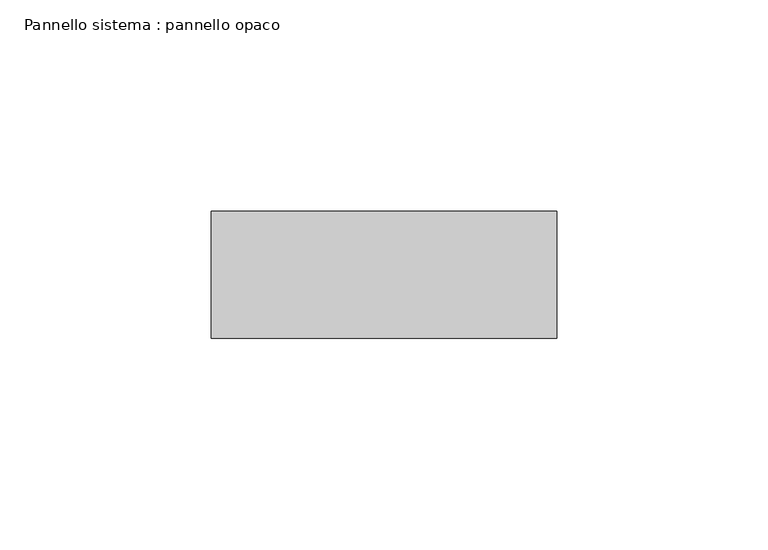
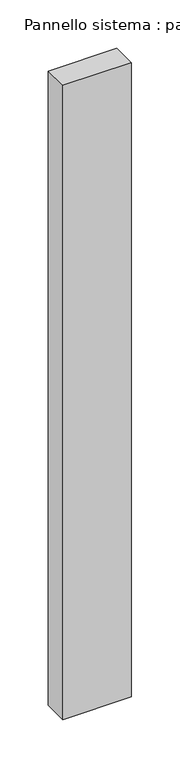
"""IFC4 building model written with IfcOpenShell, lengths in millimetres: plate geometry, Pannello sistema : pannello opaco."""

import ifcopenshell
import ifcopenshell.guid

model = None  # the IFC model being written
_history = None  # IfcOwnerHistory: only IFC2X3 demands one
_inside = {}  # id of a spatial element -> (the spatial element, [elements in it])
_under = {}  # id of a project, library or spatial element -> (it, [spatial elements below it])
_declared = {}  # id of a project -> (the project, [libraries it declares])
_typed = {}  # id of a type object -> (the type object, [elements of that type])
_made_of = {}  # id of a material, layer set ... -> (it, [elements and type objects made of it])


def new_model(schema):
    """Start an empty IFC model of exactly this schema.

    Asked for "IFC4X3", IfcOpenShell would pick the latest addendum, in which some entities
    have other attributes; the version numbers below select the first issue.
    IFC2X3 requires an IfcOwnerHistory on every rooted entity: one is made here for all.
    """
    global model, _history
    if schema == "IFC4X3":
        model = ifcopenshell.file(schema_version=(4, 3, 0, 0))
    else:
        model = ifcopenshell.file(schema=schema)
    _inside.clear()
    _under.clear()
    _declared.clear()
    _typed.clear()
    _made_of.clear()
    _history = None
    if model.schema == "IFC2X3":
        org = make("IfcOrganization", Name="unknown")
        user = make(
            "IfcPersonAndOrganization",
            ThePerson=make("IfcPerson", FamilyName="unknown"),
            TheOrganization=org,
        )
        app = make(
            "IfcApplication",
            ApplicationDeveloper=org,
            Version="unknown",
            ApplicationFullName="unknown",
            ApplicationIdentifier="unknown",
        )
        _history = make(
            "IfcOwnerHistory",
            OwningUser=user,
            OwningApplication=app,
            ChangeAction="ADDED",
            CreationDate=0,
        )
    return model


def make(cls, **values):
    """One entity of the class cls with the attributes given. An attribute that is None is left unset."""
    return model.create_entity(
        cls, **{name: value for name, value in values.items() if value is not None}
    )


def rooted(cls, **values):
    """An entity with a GlobalId (a new one), such as an element, a storey or a relation."""
    return make(cls, GlobalId=ifcopenshell.guid.new(), OwnerHistory=_history, **values)


def si_unit(unit_type, name, prefix=None):
    """IfcSIUnit, for example si_unit("LENGTHUNIT", "METRE", prefix="MILLI")."""
    return make("IfcSIUnit", UnitType=unit_type, Prefix=prefix, Name=name)


def assignment(units):
    """IfcUnitAssignment: the units of a project."""
    return None if units is None else make("IfcUnitAssignment", Units=units)


def point(xyz):
    """IfcCartesianPoint."""
    return None if xyz is None else make("IfcCartesianPoint", Coordinates=xyz)


def direction(xyz):
    """IfcDirection."""
    return None if xyz is None else make("IfcDirection", DirectionRatios=xyz)


def frame(location, z_axis=None, x_axis=None):
    """IfcAxis2Placement3D, a coordinate frame: its origin and axes. An axis left out is left unset."""
    return make(
        "IfcAxis2Placement3D",
        Location=point(location),
        Axis=direction(z_axis),
        RefDirection=direction(x_axis),
    )


def origin():
    """The frame at (0, 0, 0) with its axes left unset."""
    return frame((0.0, 0.0, 0.0))


def origin_with_axes():
    """The frame at (0, 0, 0) with the z axis (0, 0, 1) and the x axis (1, 0, 0) written out."""
    return frame((0.0, 0.0, 0.0), z_axis=(0.0, 0.0, 1.0), x_axis=(1.0, 0.0, 0.0))


def place(relative_to, where):
    """IfcLocalPlacement: puts the frame where relative to a parent placement (None: the world)."""
    return make(
        "IfcLocalPlacement", PlacementRelTo=relative_to, RelativePlacement=where
    )


def context(
    kind, dimensions, precision=None, world=None, true_north=None, identifier=None
):
    """IfcGeometricRepresentationContext, for example the 3D "Model" context."""
    return make(
        "IfcGeometricRepresentationContext",
        ContextIdentifier=identifier,
        ContextType=kind,
        CoordinateSpaceDimension=dimensions,
        Precision=precision,
        WorldCoordinateSystem=world,
        TrueNorth=true_north,
    )


def project(units=None, contexts=None):
    """IfcProject with its units and contexts."""
    return rooted(
        "IfcProject",
        Name="project",
        RepresentationContexts=contexts,
        UnitsInContext=assignment(units),
    )


def spatial(cls, under=None, at=None, **own):
    """A site, building, storey or space (cls), placed at a placement, below another one or the project."""
    s = rooted(cls, ObjectPlacement=at, **own)
    if under is not None:
        _under.setdefault(under.id(), (under, []))[1].append(s)
    return s


def polyline(points):
    """IfcPolyline through the points."""
    return make("IfcPolyline", Points=[point(p) for p in points])


def outline(outer, holes=None, kind="AREA"):
    """IfcArbitraryClosedProfileDef: a profile drawn as a closed curve; with holes, ...WithVoids."""
    if holes is None:
        return make("IfcArbitraryClosedProfileDef", ProfileType=kind, OuterCurve=outer)
    return make(
        "IfcArbitraryProfileDefWithVoids",
        ProfileType=kind,
        OuterCurve=outer,
        InnerCurves=holes,
    )


def extrude(swept, where, along, depth):
    """IfcExtrudedAreaSolid: the profile swept, set in the frame where, extruded along a direction by depth."""
    return make(
        "IfcExtrudedAreaSolid",
        SweptArea=swept,
        Position=where,
        ExtrudedDirection=direction(along),
        Depth=depth,
    )


def shape(context_of_items, identifier, shape_type, items):
    """IfcShapeRepresentation: the items that make up one representation, for example the "Body"."""
    return make(
        "IfcShapeRepresentation",
        ContextOfItems=context_of_items,
        RepresentationIdentifier=identifier,
        RepresentationType=shape_type,
        Items=items,
    )


def source(mapping_origin, context_of_items, identifier, shape_type, items):
    """IfcRepresentationMap: a shape defined once, which mapped items show again and again."""
    return make(
        "IfcRepresentationMap",
        MappingOrigin=mapping_origin,
        MappedRepresentation=shape(context_of_items, identifier, shape_type, items),
    )


def transform(
    local_origin,
    x_axis=None,
    y_axis=None,
    z_axis=None,
    scale=None,
    scale2=None,
    scale3=None,
    uniform=True,
):
    """IfcCartesianTransformationOperator3D, or its non-uniform kind. x_axis, y_axis, z_axis: its Axis1, 2, 3."""
    if uniform:
        return make(
            "IfcCartesianTransformationOperator3D",
            Axis1=direction(x_axis),
            Axis2=direction(y_axis),
            LocalOrigin=point(local_origin),
            Scale=scale,
            Axis3=direction(z_axis),
        )
    return make(
        "IfcCartesianTransformationOperator3DnonUniform",
        Axis1=direction(x_axis),
        Axis2=direction(y_axis),
        LocalOrigin=point(local_origin),
        Scale=scale,
        Axis3=direction(z_axis),
        Scale2=scale2,
        Scale3=scale3,
    )


def mapped(mapping_source, mapping_target):
    """IfcMappedItem: shows the shape of a source again, moved by a transform."""
    return make(
        "IfcMappedItem", MappingSource=mapping_source, MappingTarget=mapping_target
    )


def made_of(thing, what):
    """Note that an element or type object is made of a material, layer set ...; save() writes the relation."""
    if what is not None:
        _made_of.setdefault(what.id(), (what, []))[1].append(thing)
    return thing


def element(
    cls,
    number,
    at=None,
    inside=None,
    cuts=None,
    type_object=None,
    material=None,
    context=None,
    identifier="Body",
    shape_type=None,
    held_by="IfcProductDefinitionShape",
    body=None,
    shapes=None,
    **own,
):
    """One element of the class cls, such as IfcWall. Its Tag is "e" and its number.

    at: its placement. inside: the storey or other place that contains it. cuts: it is an
    opening in that element (IfcRelVoidsElement). A single representation is given by context,
    identifier, shape_type and body (its items); several are given by shapes. held_by: the class
    of the entity that holds the representations. save() writes the other relations.
    """
    e = rooted(cls, Tag="e%d" % number, ObjectPlacement=at, **own)
    if body is not None:
        shapes = [shape(context, identifier, shape_type, body)]
    if shapes is not None:
        e.Representation = make(held_by, Representations=shapes)
    if inside is not None:
        _inside.setdefault(inside.id(), (inside, []))[1].append(e)
    if cuts is not None:
        rooted(
            "IfcRelVoidsElement", RelatingBuildingElement=cuts, RelatedOpeningElement=e
        )
    if type_object is not None:
        _typed.setdefault(type_object.id(), (type_object, []))[1].append(e)
    return made_of(e, material)


def aggregate(whole, parts):
    """IfcRelAggregates: a whole, such as a stair, and the parts it consists of."""
    return rooted("IfcRelAggregates", RelatingObject=whole, RelatedObjects=parts)


def save(model, path):
    """Write the relations noted so far, then the file.

    IfcRelAggregates (storeys below a building ...), IfcRelContainedInSpatialStructure (elements
    in a storey), IfcRelDefinesByType, IfcRelAssociatesMaterial and IfcRelDeclares: one each for
    every whole, place, type object, material and project.
    """
    for whole, parts in _under.values():
        aggregate(whole, parts)
    for where, things in _inside.values():
        rooted(
            "IfcRelContainedInSpatialStructure",
            RelatedElements=things,
            RelatingStructure=where,
        )
    for kind, things in _typed.values():
        rooted("IfcRelDefinesByType", RelatedObjects=things, RelatingType=kind)
    for what, things in _made_of.values():
        rooted("IfcRelAssociatesMaterial", RelatedObjects=things, RelatingMaterial=what)
    for by, libraries in _declared.values():
        rooted("IfcRelDeclares", RelatingContext=by, RelatedDefinitions=libraries)
    model.write(path)


def pannello_sistema_pannello_opaco_5407aec7(model_context):
    return source(origin(), model_context, "Body", "SweptSolid", [
        extrude(outline(polyline([(40.8837017, -15.0), (-40.8837017, -15.0), (-40.8837017, 15.0), (40.8837017, 15.0), (40.8837017, -15.0)])), origin_with_axes(), (0.0, 0.0, 1.0), 800.0),
    ])


if __name__ == "__main__":
    model = new_model("IFC4")
    model_context = context("Model", 3, world=origin())
    ifc_project = project(units=[si_unit("LENGTHUNIT", "METRE", prefix="MILLI")], contexts=[model_context])
    site = spatial("IfcSite", under=ifc_project)
    building = spatial("IfcBuilding", under=site)
    placement = place(None, origin())
    pannello_sistema_pannello_opaco_shape = pannello_sistema_pannello_opaco_5407aec7(model_context)
    element("IfcPlate", 1, ObjectType="Pannello sistema : pannello opaco", at=placement, inside=building, context=model_context, shape_type="MappedRepresentation", body=[
        mapped(pannello_sistema_pannello_opaco_shape, transform((0.0, 0.0, 0.0), x_axis=(1.0, 0.0, 0.0), y_axis=(0.0, 1.0, 0.0), z_axis=(0.0, 0.0, 1.0))),
    ])
    save(model, "model.ifc")
